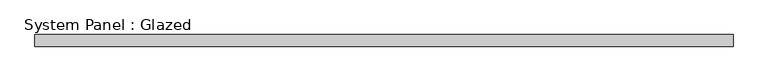
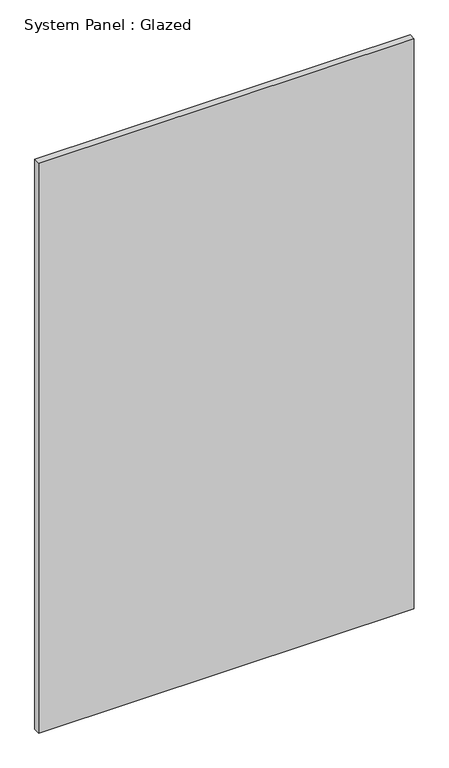
"""IFC4 building model written with IfcOpenShell, lengths in millimetres: plate geometry, System Panel : Glazed."""

from ifc_helpers import new_model, si_unit, origin, origin_with_axes, place, context, project, spatial, polyline, outline, extrude, source, transform, mapped, element, save


def system_panel_glazed_1a0a5865(model_context):
    return source(origin(), model_context, "Body", "SweptSolid", [
        extrude(outline(polyline([(725.0, -49.5), (-725.0, -49.5), (-725.0, -24.5), (725.0, -24.5), (725.0, -49.5)])), origin_with_axes(), (0.0, 0.0, 1.0), 2325.0),
    ])


if __name__ == "__main__":
    model = new_model("IFC4")
    model_context = context("Model", 3, world=origin())
    ifc_project = project(units=[si_unit("LENGTHUNIT", "METRE", prefix="MILLI")], contexts=[model_context])
    site = spatial("IfcSite", under=ifc_project)
    building = spatial("IfcBuilding", under=site)
    placement = place(None, origin())
    system_panel_glazed_shape = system_panel_glazed_1a0a5865(model_context)
    element("IfcPlate", 1, ObjectType="System Panel : Glazed", at=placement, inside=building, context=model_context, shape_type="MappedRepresentation", body=[
        mapped(system_panel_glazed_shape, transform((0.0, 0.0, 0.0), x_axis=(1.0, 0.0, 0.0), y_axis=(0.0, 1.0, 0.0), z_axis=(0.0, 0.0, 1.0))),
    ])
    save(model, "model.ifc")
